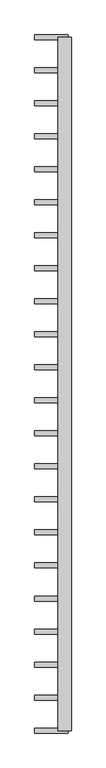
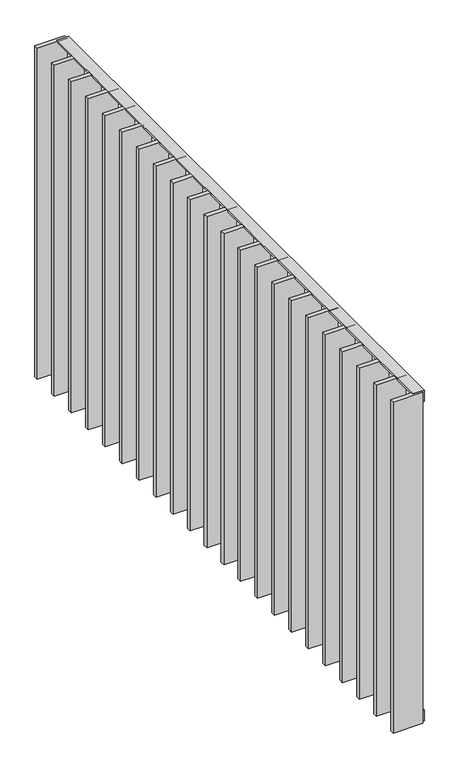
"""IFC4 building model written with IfcOpenShell, lengths in millimetres: railing geometry."""

from ifc_helpers import new_model, si_unit, frame, origin, place, context, project, spatial, polyline, outline, extrude, source, transform, mapped, element, save


def railing_ccca65f8(model_context):
    return source(origin(), model_context, "Body", "SweptSolid", [
        extrude(outline(polyline([(-6.0, 14.0), (-40.0, 14.0), (-40.0, 20.0), (0.0, 20.0), (0.0, -20.0), (-6.0, -20.0), (-6.0, 14.0)])), frame((19265.9325551, 6109.4012767, 8000.0), z_axis=(5.0311672776629815e-12, 1.0, 0.0), x_axis=(0.0, 0.0, 1.0)), (0.0, 0.0, 1.0), 2080.0),
        extrude(outline(polyline([(6.0, 14.0), (6.0, -20.0), (0.0, -20.0), (0.0, 20.0), (40.0, 20.0), (40.0, 14.0), (6.0, 14.0)])), frame((19265.9325551, 6109.4012767, 6820.0), z_axis=(5.0311672776629815e-12, 1.0, 0.0), x_axis=(0.0, 0.0, 1.0)), (0.0, 0.0, 1.0), 2080.0),
        extrude(outline(polyline([(19275.9325551, 8082.8536576), (19175.9325551, 8082.8536576), (19175.9325551, 8097.8536576), (19275.9325551, 8097.8536576), (19275.9325551, 8082.8536576)])), frame((0.0, 0.0, 6819.9), z_axis=(0.0, 0.0, 1.0), x_axis=(1.0, 0.0, 0.0)), (0.0, 0.0, 1.0), 1180.2),
        extrude(outline(polyline([(19275.9325551, 7983.8060386), (19175.9325551, 7983.8060386), (19175.9325551, 7998.8060386), (19275.9325551, 7998.8060386), (19275.9325551, 7983.8060386)])), frame((0.0, 0.0, 6819.9), z_axis=(0.0, 0.0, 1.0), x_axis=(1.0, 0.0, 0.0)), (0.0, 0.0, 1.0), 1180.2),
        extrude(outline(polyline([(19275.9325551, 7884.7584195), (19175.9325551, 7884.7584195), (19175.9325551, 7899.7584195), (19275.9325551, 7899.7584195), (19275.9325551, 7884.7584195)])), frame((0.0, 0.0, 6819.9), z_axis=(0.0, 0.0, 1.0), x_axis=(1.0, 0.0, 0.0)), (0.0, 0.0, 1.0), 1180.2),
        extrude(outline(polyline([(19275.9325551, 7785.7108005), (19175.9325551, 7785.7108005), (19175.9325551, 7800.7108005), (19275.9325551, 7800.7108005), (19275.9325551, 7785.7108005)])), frame((0.0, 0.0, 6819.9), z_axis=(0.0, 0.0, 1.0), x_axis=(1.0, 0.0, 0.0)), (0.0, 0.0, 1.0), 1180.2),
        extrude(outline(polyline([(19275.9325551, 7686.6631814), (19175.9325551, 7686.6631814), (19175.9325551, 7701.6631814), (19275.9325551, 7701.6631814), (19275.9325551, 7686.6631814)])), frame((0.0, 0.0, 6819.9), z_axis=(0.0, 0.0, 1.0), x_axis=(1.0, 0.0, 0.0)), (0.0, 0.0, 1.0), 1180.2),
        extrude(outline(polyline([(19275.9325551, 7587.6155624), (19175.9325551, 7587.6155624), (19175.9325551, 7602.6155624), (19275.9325551, 7602.6155624), (19275.9325551, 7587.6155624)])), frame((0.0, 0.0, 6819.9), z_axis=(0.0, 0.0, 1.0), x_axis=(1.0, 0.0, 0.0)), (0.0, 0.0, 1.0), 1180.2),
        extrude(outline(polyline([(19275.9325551, 7488.5679433), (19175.9325551, 7488.5679433), (19175.9325551, 7503.5679433), (19275.9325551, 7503.5679433), (19275.9325551, 7488.5679433)])), frame((0.0, 0.0, 6819.9), z_axis=(0.0, 0.0, 1.0), x_axis=(1.0, 0.0, 0.0)), (0.0, 0.0, 1.0), 1180.2),
        extrude(outline(polyline([(19275.9325551, 7389.5203243), (19175.9325551, 7389.5203243), (19175.9325551, 7404.5203243), (19275.9325551, 7404.5203243), (19275.9325551, 7389.5203243)])), frame((0.0, 0.0, 6819.9), z_axis=(0.0, 0.0, 1.0), x_axis=(1.0, 0.0, 0.0)), (0.0, 0.0, 1.0), 1180.2),
        extrude(outline(polyline([(19275.9325551, 7290.4727052), (19175.9325551, 7290.4727052), (19175.9325551, 7305.4727052), (19275.9325551, 7305.4727052), (19275.9325551, 7290.4727052)])), frame((0.0, 0.0, 6819.9), z_axis=(0.0, 0.0, 1.0), x_axis=(1.0, 0.0, 0.0)), (0.0, 0.0, 1.0), 1180.2),
        extrude(outline(polyline([(19275.9325551, 7191.4250862), (19175.9325551, 7191.4250862), (19175.9325551, 7206.4250862), (19275.9325551, 7206.4250862), (19275.9325551, 7191.4250862)])), frame((0.0, 0.0, 6819.9), z_axis=(0.0, 0.0, 1.0), x_axis=(1.0, 0.0, 0.0)), (0.0, 0.0, 1.0), 1180.2),
        extrude(outline(polyline([(19275.9325551, 7092.3774671), (19175.9325551, 7092.3774671), (19175.9325551, 7107.3774671), (19275.9325551, 7107.3774671), (19275.9325551, 7092.3774671)])), frame((0.0, 0.0, 6819.9), z_axis=(0.0, 0.0, 1.0), x_axis=(1.0, 0.0, 0.0)), (0.0, 0.0, 1.0), 1180.2),
        extrude(outline(polyline([(19275.9325551, 6993.3298481), (19175.9325551, 6993.3298481), (19175.9325551, 7008.3298481), (19275.9325551, 7008.3298481), (19275.9325551, 6993.3298481)])), frame((0.0, 0.0, 6819.9), z_axis=(0.0, 0.0, 1.0), x_axis=(1.0, 0.0, 0.0)), (0.0, 0.0, 1.0), 1180.2),
        extrude(outline(polyline([(19275.9325551, 6894.2822291), (19175.9325551, 6894.2822291), (19175.9325551, 6909.2822291), (19275.9325551, 6909.2822291), (19275.9325551, 6894.2822291)])), frame((0.0, 0.0, 6819.9), z_axis=(0.0, 0.0, 1.0), x_axis=(1.0, 0.0, 0.0)), (0.0, 0.0, 1.0), 1180.2),
        extrude(outline(polyline([(19275.9325551, 6795.23461), (19175.9325551, 6795.23461), (19175.9325551, 6810.23461), (19275.9325551, 6810.23461), (19275.9325551, 6795.23461)])), frame((0.0, 0.0, 6819.9), z_axis=(0.0, 0.0, 1.0), x_axis=(1.0, 0.0, 0.0)), (0.0, 0.0, 1.0), 1180.2),
        extrude(outline(polyline([(19275.9325551, 6696.186991), (19175.9325551, 6696.186991), (19175.9325551, 6711.186991), (19275.9325551, 6711.186991), (19275.9325551, 6696.186991)])), frame((0.0, 0.0, 6819.9), z_axis=(0.0, 0.0, 1.0), x_axis=(1.0, 0.0, 0.0)), (0.0, 0.0, 1.0), 1180.2),
        extrude(outline(polyline([(19275.9325551, 6597.1393719), (19175.9325551, 6597.1393719), (19175.9325551, 6612.1393719), (19275.9325551, 6612.1393719), (19275.9325551, 6597.1393719)])), frame((0.0, 0.0, 6819.9), z_axis=(0.0, 0.0, 1.0), x_axis=(1.0, 0.0, 0.0)), (0.0, 0.0, 1.0), 1180.2),
        extrude(outline(polyline([(19275.9325551, 6498.0917529), (19175.9325551, 6498.0917529), (19175.9325551, 6513.0917529), (19275.9325551, 6513.0917529), (19275.9325551, 6498.0917529)])), frame((0.0, 0.0, 6819.9), z_axis=(0.0, 0.0, 1.0), x_axis=(1.0, 0.0, 0.0)), (0.0, 0.0, 1.0), 1180.2),
        extrude(outline(polyline([(19275.9325551, 6399.0441338), (19175.9325551, 6399.0441338), (19175.9325551, 6414.0441338), (19275.9325551, 6414.0441338), (19275.9325551, 6399.0441338)])), frame((0.0, 0.0, 6819.9), z_axis=(0.0, 0.0, 1.0), x_axis=(1.0, 0.0, 0.0)), (0.0, 0.0, 1.0), 1180.2),
        extrude(outline(polyline([(19275.9325551, 6299.9965148), (19175.9325551, 6299.9965148), (19175.9325551, 6314.9965148), (19275.9325551, 6314.9965148), (19275.9325551, 6299.9965148)])), frame((0.0, 0.0, 6819.9), z_axis=(0.0, 0.0, 1.0), x_axis=(1.0, 0.0, 0.0)), (0.0, 0.0, 1.0), 1180.2),
        extrude(outline(polyline([(19275.9325551, 6200.9488957), (19175.9325551, 6200.9488957), (19175.9325551, 6215.9488957), (19275.9325551, 6215.9488957), (19275.9325551, 6200.9488957)])), frame((0.0, 0.0, 6819.9), z_axis=(0.0, 0.0, 1.0), x_axis=(1.0, 0.0, 0.0)), (0.0, 0.0, 1.0), 1180.2),
        extrude(outline(polyline([(19275.9325551, 8181.9012767), (19175.9325551, 8181.9012767), (19175.9325551, 8196.9012767), (19275.9325551, 8196.9012767), (19275.9325551, 8181.9012767)])), frame((0.0, 0.0, 6819.9), z_axis=(0.0, 0.0, 1.0), x_axis=(1.0, 0.0, 0.0)), (0.0, 0.0, 1.0), 1180.2),
        extrude(outline(polyline([(19275.9325551, 6101.9012767), (19175.9325551, 6101.9012767), (19175.9325551, 6116.9012767), (19275.9325551, 6116.9012767), (19275.9325551, 6101.9012767)])), frame((0.0, 0.0, 6819.9), z_axis=(0.0, 0.0, 1.0), x_axis=(1.0, 0.0, 0.0)), (0.0, 0.0, 1.0), 1180.2),
    ])


if __name__ == "__main__":
    model = new_model("IFC4")
    model_context = context("Model", 3, world=origin())
    ifc_project = project(units=[si_unit("LENGTHUNIT", "METRE", prefix="MILLI")], contexts=[model_context])
    site = spatial("IfcSite", under=ifc_project)
    building = spatial("IfcBuilding", under=site)
    placement = place(None, origin())
    railing_shape = railing_ccca65f8(model_context)
    element("IfcRailing", 1, at=placement, inside=building, context=model_context, shape_type="MappedRepresentation", body=[
        mapped(railing_shape, transform((0.0, 0.0, 0.0), x_axis=(1.0, 0.0, 0.0), y_axis=(0.0, 1.0, 0.0), z_axis=(0.0, 0.0, 1.0))),
    ])
    save(model, "model.ifc")
